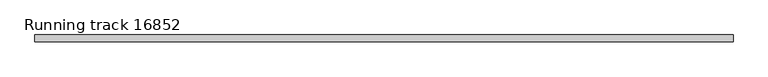
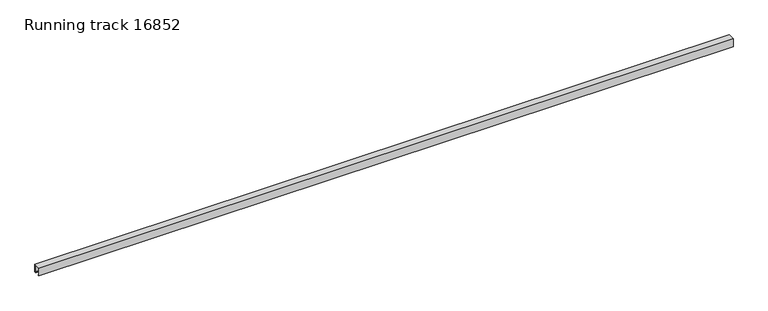
"""IFC4 building model written with IfcOpenShell, lengths in millimetres: proxy geometry, Running track 16852."""

from ifc_helpers import new_model, si_unit, frame, origin, place, context, project, spatial, polyline, outline, extrude, source, transform, mapped, element, save


def running_track_16852_b52efcb9(model_context):
    return source(origin(), model_context, "Body", "SweptSolid", [
        extrude(outline(polyline([(-25.0, 0.0), (-25.0, 58.0), (25.0, 58.0), (25.0, 0.0), (17.0, 0.0), (17.0, 3.0), (22.0, 3.0), (22.0, 55.0), (-21.9166556, 55.0), (-21.9166556, 3.0), (-17.0, 3.0), (-17.0, 0.0), (-25.0, 0.0)])), frame((0.0, 0.0, 0.0), z_axis=(1.0, 0.0, 0.0), x_axis=(0.0, 1.0, 0.0)), (0.0, 0.0, 1.0), 4952.0),
    ])


if __name__ == "__main__":
    model = new_model("IFC4")
    model_context = context("Model", 3, world=origin())
    ifc_project = project(units=[si_unit("LENGTHUNIT", "METRE", prefix="MILLI")], contexts=[model_context])
    site = spatial("IfcSite", under=ifc_project)
    building = spatial("IfcBuilding", under=site)
    placement = place(None, origin())
    running_track_16852_shape = running_track_16852_b52efcb9(model_context)
    element("IfcBuildingElementProxy", 1, Name="Running track 16852", ObjectType="Running track 16852", at=placement, inside=building, context=model_context, shape_type="MappedRepresentation", body=[
        mapped(running_track_16852_shape, transform((0.0, 0.0, 0.0), x_axis=(1.0, 0.0, 0.0), y_axis=(0.0, 1.0, 0.0), z_axis=(0.0, 0.0, 1.0))),
    ])
    save(model, "model.ifc")
